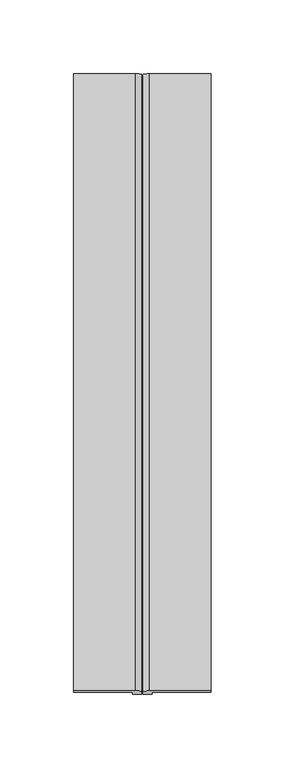
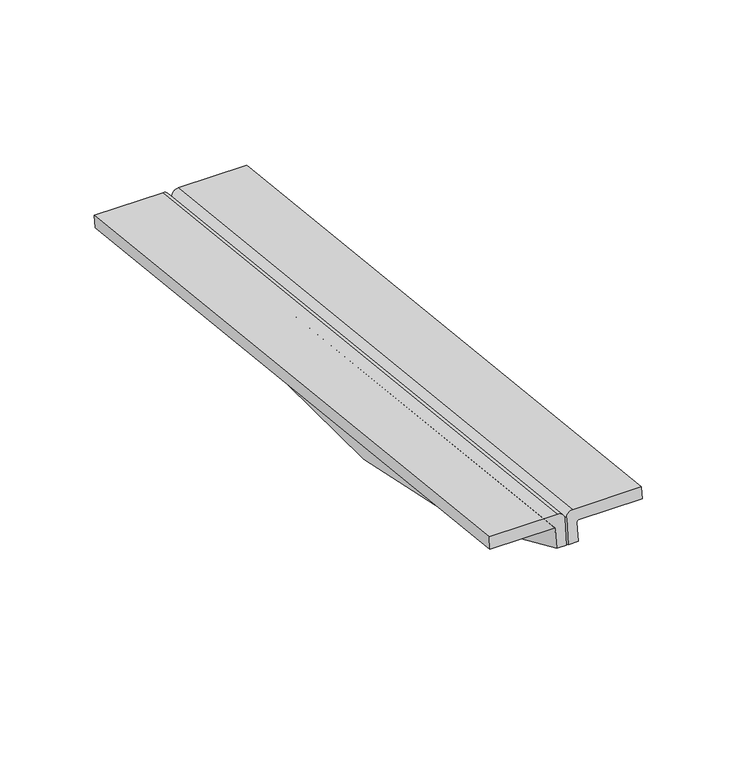
"""IFC4 building model written with IfcOpenShell, lengths in millimetres: furniture geometry."""

from ifc_helpers import new_model, si_unit, frame, origin, place, context, project, spatial, polyline, circle_curve, source, transform, mapped, element, save
from ifc_brep_helpers import plane_surface, cylinder_surface, revolved_surface, advanced_brep


def furniture_d27b0934(model_context):
    return source(origin(), model_context, "Body", "AdvancedBrep", [
        advanced_brep(
        [(813.6175866, 96.5595156, 347.1443157), (813.6175866, -321.0984876, 392.7020678), (813.6175866, -319.360624, 408.6419375), (813.6175866, 98.2997586, 363.1060105), (819.6131806, -321.0984876, 392.7020678), (819.6131806, 96.5595156, 347.1443157), (819.6131806, 97.8380001, 358.8707122), (819.6131806, -319.8223825, 404.4066392), (820.5642613, -319.7193007, 405.3521172), (859.6028254, -319.7193007, 405.3521172), (859.6028254, -318.9270883, 412.6183739), (817.6175866, -318.9270883, 412.6183739), (817.6175866, 98.7332944, 367.0824469), (859.6028254, 98.7332944, 367.0824469), (859.6028254, 97.941082, 359.8161902), (820.5642613, 97.941082, 359.8161902)],
        [
            (0, 1, circle_curve(frame((813.6175866, -59.7670647, 851.2475639), z_axis=(-1.0, 0.0, 0.0), x_axis=(0.0, -1.0, 0.0)), 527.7860216)),
            (1, 2),
            (2, 3),
            (3, 0),
            (4, 5, circle_curve(frame((819.6131806, -59.7670647, 851.2475639), z_axis=(1.0, 0.0, 0.0), x_axis=(0.0, -1.0, 0.0)), 527.7860216)),
            (5, 6),
            (6, 7),
            (7, 4),
            (1, 4),
            (7, 8, circle_curve(frame((820.5642613, -319.8223825, 404.4066392), z_axis=(0.0, 0.9941091089617909, -0.10838394474826071), x_axis=(0.0, -0.10838394474826071, -0.9941091089617909)), 0.9510807)),
            (8, 9),
            (9, 10),
            (10, 11),
            (11, 2, circle_curve(frame((817.6175866, -319.360624, 408.6419375), z_axis=(0.0, -0.9941091089617909, 0.10838394474826071), x_axis=(0.0, -0.10838394474826071, -0.9941091089617909)), 4.0)),
            (0, 5),
            (3, 12, circle_curve(frame((817.6175866, 98.2997586, 363.1060105), z_axis=(0.0, 0.9941091089617909, -0.10838394474826071), x_axis=(0.0, -0.10838394474826071, -0.9941091089617909)), 4.0)),
            (12, 13),
            (13, 14),
            (14, 15),
            (15, 6, circle_curve(frame((820.5642613, 97.8380001, 358.8707122), z_axis=(0.0, -0.9941091089617909, 0.10838394474826071), x_axis=(0.0, -0.10838394474826071, -0.9941091089617909)), 0.9510807)),
            (9, 14),
            (13, 10),
            (8, 15),
            (11, 12),
        ],
        [
            plane_surface(frame((813.6175866, 97.8039221, 358.5581456), z_axis=(-1.0, 0.0, 0.0), x_axis=(0.0, 0.9941091089617913, -0.10838394474825762))),
            plane_surface(frame((819.6131806, 97.8039221, 358.5581456), z_axis=(1.0, 0.0, 0.0), x_axis=(0.0, -0.9941091089617913, 0.10838394474825762))),
            plane_surface(frame((813.6175866, -321.0984876, 392.7020678), z_axis=(0.0, -0.9941091089617909, 0.10838394474826071), x_axis=(1.0, 0.0, 0.0))),
            cylinder_surface(frame((819.6131806, -59.7670647, 851.2475639), z_axis=(-1.0, 0.0, 0.0), x_axis=(0.0, -1.0, 0.0)), 527.7860216),
            plane_surface(frame((813.6175866, 97.8039221, 358.5581456), z_axis=(0.0, 0.9941091089617916, -0.10838394474825458), x_axis=(1.0, 0.0, 0.0))),
            plane_surface(frame((859.6028254, -319.7193007, 405.3521172), z_axis=(1.0000000000000002, 0.0, 0.0), x_axis=(0.0, 0.994109108961791, -0.10838394474826066))),
            plane_surface(frame((820.5642613, -319.7193007, 405.3521172), z_axis=(0.0, -0.10838394474826066, -0.994109108961791), x_axis=(0.0, 0.994109108961791, -0.10838394474826066))),
            revolved_surface(polyline([(820.5642613, 97.73491824228601, 357.9252342105562), (820.5642613, -319.92546445485533, 403.46116123677587)]), (820.5642613, 97.8380001, 358.8707122), (0.0, 0.9941091089617909, -0.10838394474826071)),
            cylinder_surface(frame((817.6175866, 98.2997586, 363.1060105), z_axis=(0.0, -0.9941091089617909, 0.10838394474826071), x_axis=(0.0, -0.10838394474826071, -0.9941091089617909)), 4.0),
            plane_surface(frame((859.6028254, -318.9270883, 412.6183739), z_axis=(0.0, 0.10838394474826066, 0.994109108961791), x_axis=(0.0, 0.994109108961791, -0.10838394474826066))),
        ],
        [
            (0, [[1, 2, 3, 4]]),
            (1, [[5, 6, 7, 8]]),
            (2, [[-2, 9, -8, 10, 11, 12, 13, 14]]),
            (3, [[-1, 15, -5, -9]]),
            (4, [[-6, -15, -4, 16, 17, 18, 19, 20]]),
            (5, [[-12, 21, -18, 22]]),
            (6, [[-11, 23, -19, -21]]),
            (7, [[-10, -7, -20, -23]]),
            (8, [[-14, 24, -16, -3]]),
            (9, [[-13, -22, -17, -24]]),
        ],
    ),
        advanced_brep(
        [(812.5430123, -321.0984876, 392.7020678), (812.5430123, 96.5595156, 347.1443157), (812.5430123, 98.3166022, 363.2605016), (812.5430123, -319.3437805, 408.7964286), (806.5474184, 96.5595156, 347.1443157), (806.5474184, -321.0984876, 392.7020678), (806.5474184, -319.8223825, 404.4066392), (806.5474184, 97.8380001, 358.8707122), (808.5430123, -318.9102447, 412.772865), (766.5577736, -318.9102447, 412.772865), (766.5577736, -319.7193007, 405.3521172), (805.5963377, -319.7193007, 405.3521172), (805.5963377, 97.941082, 359.8161902), (766.5577736, 97.941082, 359.8161902), (766.5577736, 98.750138, 367.236938), (808.5430123, 98.750138, 367.236938)],
        [
            (0, 1, circle_curve(frame((812.5430123, -59.7670647, 851.2475639), z_axis=(1.0, 0.0, 0.0), x_axis=(0.0, -1.0, 0.0)), 527.7860216)),
            (1, 2),
            (2, 3),
            (3, 0),
            (4, 5, circle_curve(frame((806.5474184, -59.7670647, 851.2475639), z_axis=(-1.0, 0.0, 0.0), x_axis=(0.0, -1.0, 0.0)), 527.7860216)),
            (5, 6),
            (6, 7),
            (7, 4),
            (5, 0),
            (3, 8, circle_curve(frame((808.5430123, -319.3437805, 408.7964286), z_axis=(0.0, -0.9941091089617909, 0.10838394474826071), x_axis=(0.0, -0.10838394474826071, -0.9941091089617909)), 4.0)),
            (8, 9),
            (9, 10),
            (10, 11),
            (11, 6, circle_curve(frame((805.5963377, -319.8223825, 404.4066392), z_axis=(0.0, 0.9941091089617909, -0.10838394474826071), x_axis=(0.0, -0.10838394474826071, -0.9941091089617909)), 0.9510807)),
            (4, 1),
            (7, 12, circle_curve(frame((805.5963377, 97.8380001, 358.8707122), z_axis=(0.0, -0.9941091089617909, 0.10838394474826071), x_axis=(0.0, -0.10838394474826071, -0.9941091089617909)), 0.9510807)),
            (12, 13),
            (13, 14),
            (14, 15),
            (15, 2, circle_curve(frame((808.5430123, 98.3166022, 363.2605016), z_axis=(0.0, 0.9941091089617909, -0.10838394474826071), x_axis=(0.0, -0.10838394474826071, -0.9941091089617909)), 4.0)),
            (9, 14),
            (13, 10),
            (12, 11),
            (15, 8),
        ],
        [
            plane_surface(frame((812.5430123, -319.8564605, 404.0940726), z_axis=(1.0, 0.0, 0.0), x_axis=(0.0, -0.10838394474826007, -0.994109108961791))),
            plane_surface(frame((806.5474184, -319.8564605, 404.0940726), z_axis=(-1.0, 0.0, 0.0), x_axis=(0.0, 0.10838394474826007, 0.994109108961791))),
            plane_surface(frame((812.5430123, -319.8564605, 404.0940726), z_axis=(0.0, -0.994109108961791, 0.10838394474826007), x_axis=(-1.0, 0.0, 0.0))),
            cylinder_surface(frame((806.5474184, -59.7670647, 851.2475639), z_axis=(1.0, 0.0, 0.0), x_axis=(0.0, -1.0, 0.0)), 527.7860216),
            plane_surface(frame((812.5430123, 96.5595156, 347.1443157), z_axis=(0.0, 0.9941091089617916, -0.10838394474825458), x_axis=(-1.0, 0.0, 0.0))),
            plane_surface(frame((766.5577736, -318.9102447, 412.772865), z_axis=(-1.0000000000000002, 0.0, 0.0), x_axis=(0.0, 0.994109108961791, -0.10838394474826066))),
            plane_surface(frame((766.5577736, -319.7193007, 405.3521172), z_axis=(0.0, -0.10838394474826069, -0.994109108961791), x_axis=(0.0, 0.994109108961791, -0.10838394474826069))),
            revolved_surface(polyline([(805.5963377, 97.73491824228601, 357.9252342105562), (805.5963377, -319.92546445485533, 403.46116123677587)]), (805.5963377, 97.8380001, 358.8707122), (0.0, 0.9941091089617909, -0.10838394474826071)),
            cylinder_surface(frame((808.5430123, 98.3166022, 363.2605016), z_axis=(0.0, -0.9941091089617909, 0.10838394474826071), x_axis=(0.0, -0.10838394474826071, -0.9941091089617909)), 4.0),
            plane_surface(frame((808.5430123, -318.9102447, 412.772865), z_axis=(0.0, 0.10838394474826066, 0.994109108961791), x_axis=(0.0, 0.994109108961791, -0.10838394474826066))),
        ],
        [
            (0, [[1, 2, 3, 4]]),
            (1, [[5, 6, 7, 8]]),
            (2, [[-6, 9, -4, 10, 11, 12, 13, 14]]),
            (3, [[-1, -9, -5, 15]]),
            (4, [[-2, -15, -8, 16, 17, 18, 19, 20]]),
            (5, [[-12, 21, -18, 22]]),
            (6, [[-13, -22, -17, 23]]),
            (7, [[-14, -23, -16, -7]]),
            (8, [[-10, -3, -20, 24]]),
            (9, [[-11, -24, -19, -21]]),
        ],
    ),
    ])


if __name__ == "__main__":
    model = new_model("IFC4")
    model_context = context("Model", 3, world=origin())
    ifc_project = project(units=[si_unit("LENGTHUNIT", "METRE", prefix="MILLI")], contexts=[model_context])
    site = spatial("IfcSite", under=ifc_project)
    building = spatial("IfcBuilding", under=site)
    placement = place(None, origin())
    furniture_shape = furniture_d27b0934(model_context)
    element("IfcFurniture", 1, at=placement, inside=building, context=model_context, shape_type="MappedRepresentation", body=[
        mapped(furniture_shape, transform((0.0, 0.0, 0.0), x_axis=(1.0, 0.0, 0.0), y_axis=(0.0, 1.0, 0.0), z_axis=(0.0, 0.0, 1.0))),
    ])
    save(model, "model.ifc")
